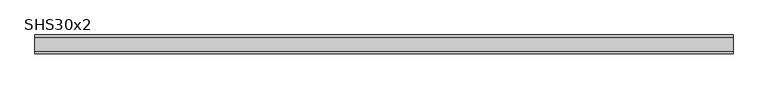
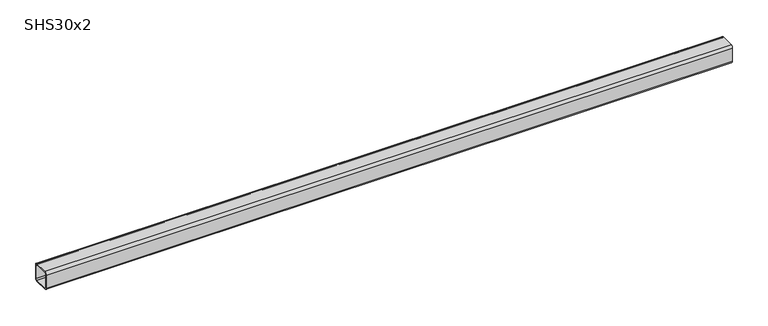
"""IFC4 building model written with IfcOpenShell, lengths in millimetres: beam geometry, SHS30x2."""

from ifc_helpers import new_model, si_unit, point, frame, frame_2d, origin, place, context, project, spatial, polyline, circle_curve, trimmed, segment, composite_curve, outline, extrude, source, transform, mapped, element, save


def shs30x2_f4cfd516(model_context):
    return source(origin(), model_context, "Body", "SweptSolid", [
        extrude(outline(composite_curve([segment(polyline([(15.0, 11.0), (15.0, -11.0)]), True, "CONTINUOUS"), segment(trimmed(circle_curve(frame_2d((11.0, -11.0)), 4.0), [point((15.0, -11.0))], [point((11.0, -15.0))], False, "CARTESIAN"), True, "CONTINUOUS"), segment(polyline([(11.0, -15.0), (-11.0, -15.0)]), True, "CONTINUOUS"), segment(trimmed(circle_curve(frame_2d((-11.0, -11.0)), 4.0), [point((-11.0, -15.0))], [point((-15.0, -11.0))], False, "CARTESIAN"), True, "CONTINUOUS"), segment(polyline([(-15.0, -11.0), (-15.0, 11.0)]), True, "CONTINUOUS"), segment(trimmed(circle_curve(frame_2d((-11.0, 11.0)), 4.0), [point((-15.0, 11.0))], [point((-11.0, 15.0))], False, "CARTESIAN"), True, "CONTINUOUS"), segment(polyline([(-11.0, 15.0), (11.0, 15.0)]), True, "CONTINUOUS"), segment(trimmed(circle_curve(frame_2d((11.0, 11.0)), 4.0), [point((11.0, 15.0))], [point((15.0, 11.0))], False, "CARTESIAN"), True, "CONTINUOUS")], self_intersect=False), holes=[composite_curve([segment(trimmed(circle_curve(frame_2d((-11.0, 11.0)), 2.0), [point((-11.0, 13.0))], [point((-13.0, 11.0))], True, "CARTESIAN"), True, "CONTINUOUS"), segment(polyline([(-13.0, 11.0), (-13.0, -11.0)]), True, "CONTINUOUS"), segment(trimmed(circle_curve(frame_2d((-11.0, -11.0)), 2.0), [point((-13.0, -11.0))], [point((-11.0, -13.0))], True, "CARTESIAN"), True, "CONTINUOUS"), segment(polyline([(-11.0, -13.0), (11.0, -13.0)]), True, "CONTINUOUS"), segment(trimmed(circle_curve(frame_2d((11.0, -11.0)), 2.0), [point((11.0, -13.0))], [point((13.0, -11.0))], True, "CARTESIAN"), True, "CONTINUOUS"), segment(polyline([(13.0, -11.0), (13.0, 11.0)]), True, "CONTINUOUS"), segment(trimmed(circle_curve(frame_2d((11.0, 11.0)), 2.0), [point((13.0, 11.0))], [point((11.0, 13.0))], True, "CARTESIAN"), True, "CONTINUOUS"), segment(polyline([(11.0, 13.0), (-11.0, 13.0)]), True, "CONTINUOUS")], self_intersect=False)]), frame((-563.5, 0.0, 0.0), z_axis=(1.0, 0.0, 0.0), x_axis=(0.0, 1.0, 0.0)), (0.0, 0.0, 1.0), 1115.0),
    ])


if __name__ == "__main__":
    model = new_model("IFC4")
    model_context = context("Model", 3, world=origin())
    ifc_project = project(units=[si_unit("LENGTHUNIT", "METRE", prefix="MILLI")], contexts=[model_context])
    site = spatial("IfcSite", under=ifc_project)
    building = spatial("IfcBuilding", under=site)
    placement = place(None, origin())
    shs30x2_shape = shs30x2_f4cfd516(model_context)
    element("IfcBeam", 1, ObjectType="SHS30x2", at=placement, inside=building, context=model_context, shape_type="MappedRepresentation", body=[
        mapped(shs30x2_shape, transform((0.0, 0.0, 0.0), x_axis=(1.0, 0.0, 0.0), y_axis=(0.0, 1.0, 0.0), z_axis=(0.0, 0.0, 1.0))),
    ])
    save(model, "model.ifc")
